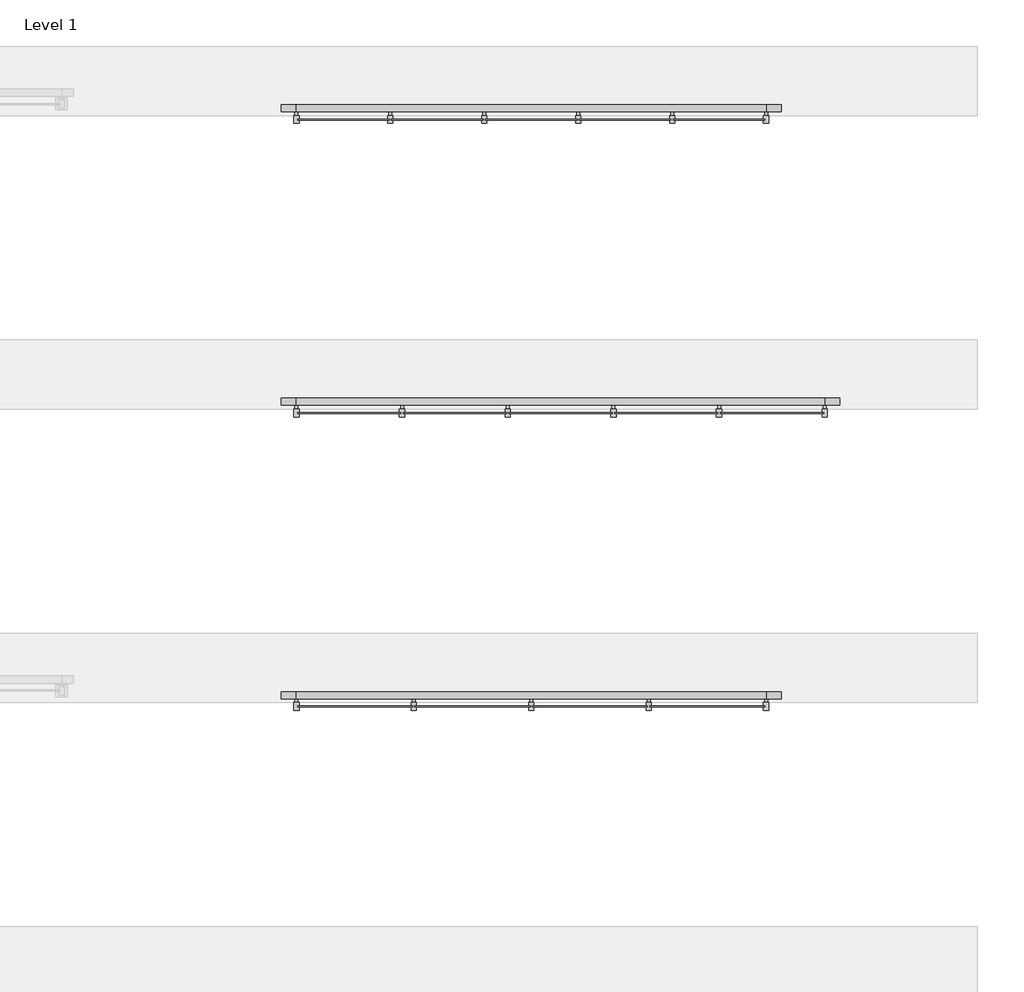
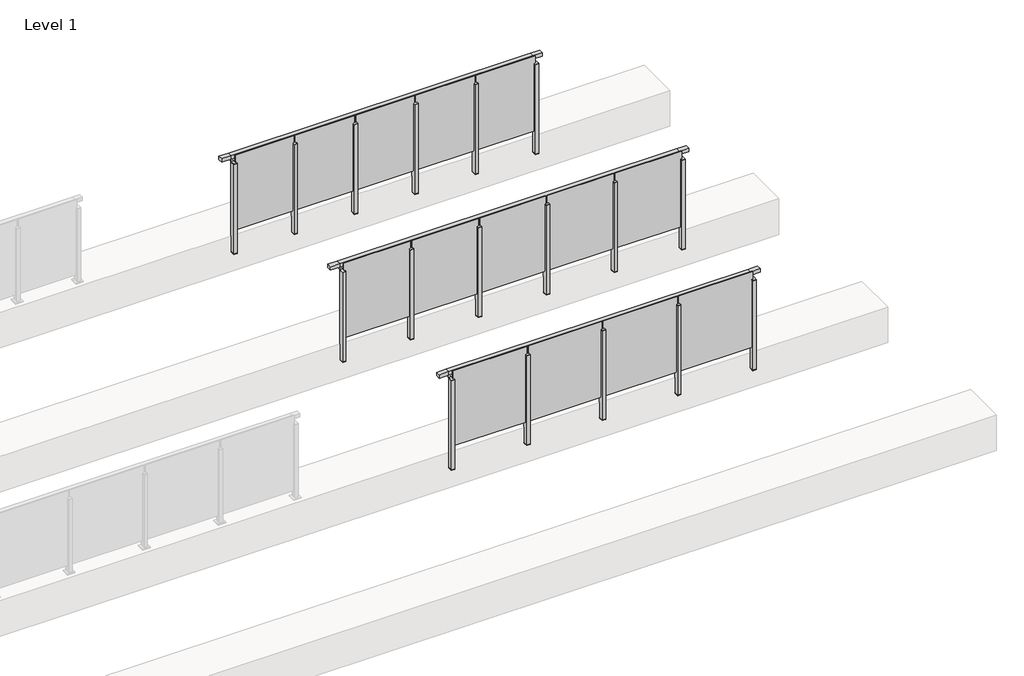
# One storey, part 19 of 38: 3 railings.
"""IFC4 building model written with IfcOpenShell, lengths in millimetres."""

from ifc_helpers import new_model, si_unit, point, frame, frame_2d, origin, place, context, project, spatial, polyline, circle_curve, trimmed, segment, composite_curve, outline, extrude, faceted_brep, element, save

model = new_model("IFC4")

# Units and contexts
model_context = context("Model", 3, world=origin())
ifc_project = project(units=[si_unit("LENGTHUNIT", "METRE", prefix="MILLI")], contexts=[model_context])

# Site, building, storey
site = spatial("IfcSite", under=ifc_project)
building = spatial("IfcBuilding", under=site)
storey = spatial("IfcBuildingStorey", under=building, Name="Level 1", Elevation=0.0)

# Railings
placement = place(None, origin())
element("IfcRailing", 1, at=placement, inside=storey, context=model_context, shape_type="SolidModel", body=[
    faceted_brep([(41476.1884576, 2493.1846828, 1052.5), (41476.1884576, 2493.1846828, 1100.0), (45476.1884576, 2493.1846828, 1100.0), (45476.1884576, 2493.1846828, 1052.5), (41476.1884576, 2433.1846828, 1052.5), (45476.1884576, 2433.1846828, 1052.5), (41476.1884576, 2433.1846828, 1100.0), (45476.1884576, 2433.1846828, 1100.0), (41348.6884576, 2493.1846828, 1100.0), (41348.6884576, 2493.1846828, 1052.5), (41348.6884576, 2433.1846828, 1052.5), (41348.6884576, 2433.1846828, 1100.0), (45603.6884576, 2493.1846828, 1100.0), (45603.6884576, 2433.1846828, 1100.0), (45603.6884576, 2433.1846828, 1052.5), (45603.6884576, 2493.1846828, 1052.5)], [[[0, 1, 2, 3]], [[4, 0, 3, 5]], [[6, 4, 5, 7]], [[1, 6, 7, 2]], [[8, 9, 10, 11]], [[9, 8, 1, 0]], [[10, 9, 0, 4]], [[11, 10, 4, 6]], [[8, 11, 6, 1]], [[12, 13, 14, 15]], [[3, 2, 12, 15]], [[5, 3, 15, 14]], [[7, 5, 14, 13]], [[2, 7, 13, 12]]]),
    extrude(outline(polyline([(44486.1884576, 2361.9094929), (44486.1884576, 2371.9094929), (45466.1884576, 2371.9094929), (45466.1884576, 2361.9094929), (44486.1884576, 2361.9094929)])), frame((0.0, 0.0, 95.0), z_axis=(0.0, 0.0, 1.0), x_axis=(1.0, 0.0, 0.0)), (0.0, 0.0, 1.0), 1055.0),
    extrude(outline(composite_curve([segment(polyline([(2488.1846828, 1085.0), (2488.1846828, 1060.900037)]), True, "CONTINUOUS"), segment(trimmed(circle_curve(frame_2d((2478.1846828, 1060.900037)), 10.0), [point((2488.1846828, 1060.900037))], [point((2480.7728733, 1051.2407787))], False, "CARTESIAN"), True, "CONTINUOUS"), segment(polyline([(2480.7728733, 1051.2407787), (2423.7244733, 1035.9547061)]), True, "CONTINUOUS"), segment(trimmed(circle_curve(frame_2d((2426.3126638, 1026.2954478)), 10.0), [point((2423.7244733, 1035.9547061))], [point((2416.3982152, 1027.6007097))], True, "CARTESIAN"), True, "CONTINUOUS"), segment(polyline([(2416.3982152, 1027.6007097), (2411.791393, 992.6084214)]), True, "CONTINUOUS"), segment(trimmed(circle_curve(frame_2d((2408.8170584, 993.0)), 3.0), [point((2411.791393, 992.6084214))], [point((2408.8170584, 990.0))], False, "CARTESIAN"), True, "CONTINUOUS"), segment(polyline([(2408.8170584, 990.0), (2400.1846828, 990.0), (2400.1846828, 1040.0), (2464.1846828, 1057.1487483), (2464.1846828, 1085.0), (2488.1846828, 1085.0)]), True, "CONTINUOUS")], self_intersect=False)), frame((44463.6884576, 0.0, 0.0), z_axis=(1.0, 0.0, 0.0), x_axis=(0.0, 1.0, 0.0)), (0.0, 0.0, 1.0), 25.0),
    extrude(outline(polyline([(44498.6884576, 2400.1846828), (44498.6884576, 2335.1846828), (44453.6884576, 2335.1846828), (44453.6884576, 2400.1846828), (44498.6884576, 2400.1846828)])), frame((0.0, 0.0, 1040.0), z_axis=(0.0, 0.0, 1.0), x_axis=(1.0, 0.0, 0.0)), (0.0, 0.0, 1.0), 5.0),
    extrude(outline(polyline([(44498.6884576, 2400.1846828), (44498.6884576, 2335.1846828), (44453.6884576, 2335.1846828), (44453.6884576, 2400.1846828), (44498.6884576, 2400.1846828)])), frame((0.0, 0.0, -212.0), z_axis=(0.0, 0.0, 1.0), x_axis=(1.0, 0.0, 0.0)), (0.0, 0.0, 1.0), 1252.0),
    extrude(outline(polyline([(44498.6884576, 2400.1846828), (44498.6884576, 2335.1846828), (44453.6884576, 2335.1846828), (44453.6884576, 2400.1846828), (44498.6884576, 2400.1846828)])), frame((0.0, 0.0, -220.0), z_axis=(0.0, 0.0, 1.0), x_axis=(1.0, 0.0, 0.0)), (0.0, 0.0, 1.0), 8.0),
    extrude(outline(polyline([(43486.1884576, 2361.9094929), (43486.1884576, 2371.9094929), (44466.1884576, 2371.9094929), (44466.1884576, 2361.9094929), (43486.1884576, 2361.9094929)])), frame((0.0, 0.0, 95.0), z_axis=(0.0, 0.0, 1.0), x_axis=(1.0, 0.0, 0.0)), (0.0, 0.0, 1.0), 1055.0),
    extrude(outline(composite_curve([segment(polyline([(2488.1846828, 1085.0), (2488.1846828, 1060.900037)]), True, "CONTINUOUS"), segment(trimmed(circle_curve(frame_2d((2478.1846828, 1060.900037)), 10.0), [point((2488.1846828, 1060.900037))], [point((2480.7728733, 1051.2407787))], False, "CARTESIAN"), True, "CONTINUOUS"), segment(polyline([(2480.7728733, 1051.2407787), (2423.7244733, 1035.9547061)]), True, "CONTINUOUS"), segment(trimmed(circle_curve(frame_2d((2426.3126638, 1026.2954478)), 10.0), [point((2423.7244733, 1035.9547061))], [point((2416.3982152, 1027.6007097))], True, "CARTESIAN"), True, "CONTINUOUS"), segment(polyline([(2416.3982152, 1027.6007097), (2411.791393, 992.6084214)]), True, "CONTINUOUS"), segment(trimmed(circle_curve(frame_2d((2408.8170584, 993.0)), 3.0), [point((2411.791393, 992.6084214))], [point((2408.8170584, 990.0))], False, "CARTESIAN"), True, "CONTINUOUS"), segment(polyline([(2408.8170584, 990.0), (2400.1846828, 990.0), (2400.1846828, 1040.0), (2464.1846828, 1057.1487483), (2464.1846828, 1085.0), (2488.1846828, 1085.0)]), True, "CONTINUOUS")], self_intersect=False)), frame((43463.6884576, 0.0, 0.0), z_axis=(1.0, 0.0, 0.0), x_axis=(0.0, 1.0, 0.0)), (0.0, 0.0, 1.0), 25.0),
    extrude(outline(polyline([(43498.6884576, 2400.1846828), (43498.6884576, 2335.1846828), (43453.6884576, 2335.1846828), (43453.6884576, 2400.1846828), (43498.6884576, 2400.1846828)])), frame((0.0, 0.0, 1040.0), z_axis=(0.0, 0.0, 1.0), x_axis=(1.0, 0.0, 0.0)), (0.0, 0.0, 1.0), 5.0),
    extrude(outline(polyline([(43498.6884576, 2400.1846828), (43498.6884576, 2335.1846828), (43453.6884576, 2335.1846828), (43453.6884576, 2400.1846828), (43498.6884576, 2400.1846828)])), frame((0.0, 0.0, -212.0), z_axis=(0.0, 0.0, 1.0), x_axis=(1.0, 0.0, 0.0)), (0.0, 0.0, 1.0), 1252.0),
    extrude(outline(polyline([(43498.6884576, 2400.1846828), (43498.6884576, 2335.1846828), (43453.6884576, 2335.1846828), (43453.6884576, 2400.1846828), (43498.6884576, 2400.1846828)])), frame((0.0, 0.0, -220.0), z_axis=(0.0, 0.0, 1.0), x_axis=(1.0, 0.0, 0.0)), (0.0, 0.0, 1.0), 8.0),
    extrude(outline(polyline([(42486.1884576, 2361.9094929), (42486.1884576, 2371.9094929), (43466.1884576, 2371.9094929), (43466.1884576, 2361.9094929), (42486.1884576, 2361.9094929)])), frame((0.0, 0.0, 95.0), z_axis=(0.0, 0.0, 1.0), x_axis=(1.0, 0.0, 0.0)), (0.0, 0.0, 1.0), 1055.0),
    extrude(outline(composite_curve([segment(polyline([(2488.1846828, 1085.0), (2488.1846828, 1060.900037)]), True, "CONTINUOUS"), segment(trimmed(circle_curve(frame_2d((2478.1846828, 1060.900037)), 10.0), [point((2488.1846828, 1060.900037))], [point((2480.7728733, 1051.2407787))], False, "CARTESIAN"), True, "CONTINUOUS"), segment(polyline([(2480.7728733, 1051.2407787), (2423.7244733, 1035.9547061)]), True, "CONTINUOUS"), segment(trimmed(circle_curve(frame_2d((2426.3126638, 1026.2954478)), 10.0), [point((2423.7244733, 1035.9547061))], [point((2416.3982152, 1027.6007097))], True, "CARTESIAN"), True, "CONTINUOUS"), segment(polyline([(2416.3982152, 1027.6007097), (2411.791393, 992.6084214)]), True, "CONTINUOUS"), segment(trimmed(circle_curve(frame_2d((2408.8170584, 993.0)), 3.0), [point((2411.791393, 992.6084214))], [point((2408.8170584, 990.0))], False, "CARTESIAN"), True, "CONTINUOUS"), segment(polyline([(2408.8170584, 990.0), (2400.1846828, 990.0), (2400.1846828, 1040.0), (2464.1846828, 1057.1487483), (2464.1846828, 1085.0), (2488.1846828, 1085.0)]), True, "CONTINUOUS")], self_intersect=False)), frame((42463.6884576, 0.0, 0.0), z_axis=(1.0, 0.0, 0.0), x_axis=(0.0, 1.0, 0.0)), (0.0, 0.0, 1.0), 25.0),
    extrude(outline(polyline([(42498.6884576, 2400.1846828), (42498.6884576, 2335.1846828), (42453.6884576, 2335.1846828), (42453.6884576, 2400.1846828), (42498.6884576, 2400.1846828)])), frame((0.0, 0.0, 1040.0), z_axis=(0.0, 0.0, 1.0), x_axis=(1.0, 0.0, 0.0)), (0.0, 0.0, 1.0), 5.0),
    extrude(outline(polyline([(42498.6884576, 2400.1846828), (42498.6884576, 2335.1846828), (42453.6884576, 2335.1846828), (42453.6884576, 2400.1846828), (42498.6884576, 2400.1846828)])), frame((0.0, 0.0, -212.0), z_axis=(0.0, 0.0, 1.0), x_axis=(1.0, 0.0, 0.0)), (0.0, 0.0, 1.0), 1252.0),
    extrude(outline(polyline([(42498.6884576, 2400.1846828), (42498.6884576, 2335.1846828), (42453.6884576, 2335.1846828), (42453.6884576, 2400.1846828), (42498.6884576, 2400.1846828)])), frame((0.0, 0.0, -220.0), z_axis=(0.0, 0.0, 1.0), x_axis=(1.0, 0.0, 0.0)), (0.0, 0.0, 1.0), 8.0),
    extrude(outline(polyline([(41486.1884576, 2361.9094929), (41486.1884576, 2371.9094929), (42466.1884576, 2371.9094929), (42466.1884576, 2361.9094929), (41486.1884576, 2361.9094929)])), frame((0.0, 0.0, 95.0), z_axis=(0.0, 0.0, 1.0), x_axis=(1.0, 0.0, 0.0)), (0.0, 0.0, 1.0), 1055.0),
    extrude(outline(composite_curve([segment(polyline([(2488.1846828, 1085.0), (2488.1846828, 1060.900037)]), True, "CONTINUOUS"), segment(trimmed(circle_curve(frame_2d((2478.1846828, 1060.900037)), 10.0), [point((2488.1846828, 1060.900037))], [point((2480.7728733, 1051.2407787))], False, "CARTESIAN"), True, "CONTINUOUS"), segment(polyline([(2480.7728733, 1051.2407787), (2423.7244733, 1035.9547061)]), True, "CONTINUOUS"), segment(trimmed(circle_curve(frame_2d((2426.3126638, 1026.2954478)), 10.0), [point((2423.7244733, 1035.9547061))], [point((2416.3982152, 1027.6007097))], True, "CARTESIAN"), True, "CONTINUOUS"), segment(polyline([(2416.3982152, 1027.6007097), (2411.791393, 992.6084214)]), True, "CONTINUOUS"), segment(trimmed(circle_curve(frame_2d((2408.8170584, 993.0)), 3.0), [point((2411.791393, 992.6084214))], [point((2408.8170584, 990.0))], False, "CARTESIAN"), True, "CONTINUOUS"), segment(polyline([(2408.8170584, 990.0), (2400.1846828, 990.0), (2400.1846828, 1040.0), (2464.1846828, 1057.1487483), (2464.1846828, 1085.0), (2488.1846828, 1085.0)]), True, "CONTINUOUS")], self_intersect=False)), frame((45463.6884576, 0.0, 0.0), z_axis=(1.0, 0.0, 0.0), x_axis=(0.0, 1.0, 0.0)), (0.0, 0.0, 1.0), 25.0),
    extrude(outline(polyline([(45498.6884576, 2400.1846828), (45498.6884576, 2335.1846828), (45453.6884576, 2335.1846828), (45453.6884576, 2400.1846828), (45498.6884576, 2400.1846828)])), frame((0.0, 0.0, 1040.0), z_axis=(0.0, 0.0, 1.0), x_axis=(1.0, 0.0, 0.0)), (0.0, 0.0, 1.0), 5.0),
    extrude(outline(polyline([(45498.6884576, 2400.1846828), (45498.6884576, 2335.1846828), (45453.6884576, 2335.1846828), (45453.6884576, 2400.1846828), (45498.6884576, 2400.1846828)])), frame((0.0, 0.0, -212.0), z_axis=(0.0, 0.0, 1.0), x_axis=(1.0, 0.0, 0.0)), (0.0, 0.0, 1.0), 1252.0),
    extrude(outline(polyline([(45498.6884576, 2400.1846828), (45498.6884576, 2335.1846828), (45453.6884576, 2335.1846828), (45453.6884576, 2400.1846828), (45498.6884576, 2400.1846828)])), frame((0.0, 0.0, -220.0), z_axis=(0.0, 0.0, 1.0), x_axis=(1.0, 0.0, 0.0)), (0.0, 0.0, 1.0), 8.0),
    extrude(outline(composite_curve([segment(polyline([(2488.1846828, 1085.0), (2488.1846828, 1060.900037)]), True, "CONTINUOUS"), segment(trimmed(circle_curve(frame_2d((2478.1846828, 1060.900037)), 10.0), [point((2488.1846828, 1060.900037))], [point((2480.7728733, 1051.2407787))], False, "CARTESIAN"), True, "CONTINUOUS"), segment(polyline([(2480.7728733, 1051.2407787), (2423.7244733, 1035.9547061)]), True, "CONTINUOUS"), segment(trimmed(circle_curve(frame_2d((2426.3126638, 1026.2954478)), 10.0), [point((2423.7244733, 1035.9547061))], [point((2416.3982152, 1027.6007097))], True, "CARTESIAN"), True, "CONTINUOUS"), segment(polyline([(2416.3982152, 1027.6007097), (2411.791393, 992.6084214)]), True, "CONTINUOUS"), segment(trimmed(circle_curve(frame_2d((2408.8170584, 993.0)), 3.0), [point((2411.791393, 992.6084214))], [point((2408.8170584, 990.0))], False, "CARTESIAN"), True, "CONTINUOUS"), segment(polyline([(2408.8170584, 990.0), (2400.1846828, 990.0), (2400.1846828, 1040.0), (2464.1846828, 1057.1487483), (2464.1846828, 1085.0), (2488.1846828, 1085.0)]), True, "CONTINUOUS")], self_intersect=False)), frame((41463.6884576, 0.0, 0.0), z_axis=(1.0, 0.0, 0.0), x_axis=(0.0, 1.0, 0.0)), (0.0, 0.0, 1.0), 25.0),
    extrude(outline(polyline([(41498.6884576, 2400.1846828), (41498.6884576, 2335.1846828), (41453.6884576, 2335.1846828), (41453.6884576, 2400.1846828), (41498.6884576, 2400.1846828)])), frame((0.0, 0.0, 1040.0), z_axis=(0.0, 0.0, 1.0), x_axis=(1.0, 0.0, 0.0)), (0.0, 0.0, 1.0), 5.0),
    extrude(outline(polyline([(41498.6884576, 2400.1846828), (41498.6884576, 2335.1846828), (41453.6884576, 2335.1846828), (41453.6884576, 2400.1846828), (41498.6884576, 2400.1846828)])), frame((0.0, 0.0, -212.0), z_axis=(0.0, 0.0, 1.0), x_axis=(1.0, 0.0, 0.0)), (0.0, 0.0, 1.0), 1252.0),
    extrude(outline(polyline([(41498.6884576, 2400.1846828), (41498.6884576, 2335.1846828), (41453.6884576, 2335.1846828), (41453.6884576, 2400.1846828), (41498.6884576, 2400.1846828)])), frame((0.0, 0.0, -220.0), z_axis=(0.0, 0.0, 1.0), x_axis=(1.0, 0.0, 0.0)), (0.0, 0.0, 1.0), 8.0),
])
element("IfcRailing", 2, at=placement, inside=storey, context=model_context, shape_type="SolidModel", body=[
    faceted_brep([(41476.1884576, 4993.1846828, 1052.5), (41476.1884576, 4993.1846828, 1100.0), (45976.1884576, 4993.1846828, 1100.0), (45976.1884576, 4993.1846828, 1052.5), (41476.1884576, 4933.1846828, 1052.5), (45976.1884576, 4933.1846828, 1052.5), (41476.1884576, 4933.1846828, 1100.0), (45976.1884576, 4933.1846828, 1100.0), (41348.6884576, 4993.1846828, 1100.0), (41348.6884576, 4993.1846828, 1052.5), (41348.6884576, 4933.1846828, 1052.5), (41348.6884576, 4933.1846828, 1100.0), (46103.6884576, 4993.1846828, 1100.0), (46103.6884576, 4933.1846828, 1100.0), (46103.6884576, 4933.1846828, 1052.5), (46103.6884576, 4993.1846828, 1052.5)], [[[0, 1, 2, 3]], [[4, 0, 3, 5]], [[6, 4, 5, 7]], [[1, 6, 7, 2]], [[8, 9, 10, 11]], [[9, 8, 1, 0]], [[10, 9, 0, 4]], [[11, 10, 4, 6]], [[8, 11, 6, 1]], [[12, 13, 14, 15]], [[3, 2, 12, 15]], [[5, 3, 15, 14]], [[7, 5, 14, 13]], [[2, 7, 13, 12]]]),
    extrude(outline(polyline([(45086.1884576, 4861.9094929), (45086.1884576, 4871.9094929), (45966.1884576, 4871.9094929), (45966.1884576, 4861.9094929), (45086.1884576, 4861.9094929)])), frame((0.0, 0.0, 95.0), z_axis=(0.0, 0.0, 1.0), x_axis=(1.0, 0.0, 0.0)), (0.0, 0.0, 1.0), 1055.0),
    extrude(outline(composite_curve([segment(polyline([(4988.1846828, 1085.0), (4988.1846828, 1060.900037)]), True, "CONTINUOUS"), segment(trimmed(circle_curve(frame_2d((4978.1846828, 1060.900037)), 10.0), [point((4988.1846828, 1060.900037))], [point((4980.7728733, 1051.2407787))], False, "CARTESIAN"), True, "CONTINUOUS"), segment(polyline([(4980.7728733, 1051.2407787), (4923.7244733, 1035.9547061)]), True, "CONTINUOUS"), segment(trimmed(circle_curve(frame_2d((4926.3126638, 1026.2954478)), 10.0), [point((4923.7244733, 1035.9547061))], [point((4916.3982152, 1027.6007097))], True, "CARTESIAN"), True, "CONTINUOUS"), segment(polyline([(4916.3982152, 1027.6007097), (4911.791393, 992.6084214)]), True, "CONTINUOUS"), segment(trimmed(circle_curve(frame_2d((4908.8170584, 993.0)), 3.0), [point((4911.791393, 992.6084214))], [point((4908.8170584, 990.0))], False, "CARTESIAN"), True, "CONTINUOUS"), segment(polyline([(4908.8170584, 990.0), (4900.1846828, 990.0), (4900.1846828, 1040.0), (4964.1846828, 1057.1487483), (4964.1846828, 1085.0), (4988.1846828, 1085.0)]), True, "CONTINUOUS")], self_intersect=False)), frame((45063.6884576, 0.0, 0.0), z_axis=(1.0, 0.0, 0.0), x_axis=(0.0, 1.0, 0.0)), (0.0, 0.0, 1.0), 25.0),
    extrude(outline(polyline([(45098.6884576, 4900.1846828), (45098.6884576, 4835.1846828), (45053.6884576, 4835.1846828), (45053.6884576, 4900.1846828), (45098.6884576, 4900.1846828)])), frame((0.0, 0.0, 1040.0), z_axis=(0.0, 0.0, 1.0), x_axis=(1.0, 0.0, 0.0)), (0.0, 0.0, 1.0), 5.0),
    extrude(outline(polyline([(45098.6884576, 4900.1846828), (45098.6884576, 4835.1846828), (45053.6884576, 4835.1846828), (45053.6884576, 4900.1846828), (45098.6884576, 4900.1846828)])), frame((0.0, 0.0, -212.0), z_axis=(0.0, 0.0, 1.0), x_axis=(1.0, 0.0, 0.0)), (0.0, 0.0, 1.0), 1252.0),
    extrude(outline(polyline([(45098.6884576, 4900.1846828), (45098.6884576, 4835.1846828), (45053.6884576, 4835.1846828), (45053.6884576, 4900.1846828), (45098.6884576, 4900.1846828)])), frame((0.0, 0.0, -220.0), z_axis=(0.0, 0.0, 1.0), x_axis=(1.0, 0.0, 0.0)), (0.0, 0.0, 1.0), 8.0),
    extrude(outline(polyline([(44186.1884576, 4861.9094929), (44186.1884576, 4871.9094929), (45066.1884576, 4871.9094929), (45066.1884576, 4861.9094929), (44186.1884576, 4861.9094929)])), frame((0.0, 0.0, 95.0), z_axis=(0.0, 0.0, 1.0), x_axis=(1.0, 0.0, 0.0)), (0.0, 0.0, 1.0), 1055.0),
    extrude(outline(composite_curve([segment(polyline([(4988.1846828, 1085.0), (4988.1846828, 1060.900037)]), True, "CONTINUOUS"), segment(trimmed(circle_curve(frame_2d((4978.1846828, 1060.900037)), 10.0), [point((4988.1846828, 1060.900037))], [point((4980.7728733, 1051.2407787))], False, "CARTESIAN"), True, "CONTINUOUS"), segment(polyline([(4980.7728733, 1051.2407787), (4923.7244733, 1035.9547061)]), True, "CONTINUOUS"), segment(trimmed(circle_curve(frame_2d((4926.3126638, 1026.2954478)), 10.0), [point((4923.7244733, 1035.9547061))], [point((4916.3982152, 1027.6007097))], True, "CARTESIAN"), True, "CONTINUOUS"), segment(polyline([(4916.3982152, 1027.6007097), (4911.791393, 992.6084214)]), True, "CONTINUOUS"), segment(trimmed(circle_curve(frame_2d((4908.8170584, 993.0)), 3.0), [point((4911.791393, 992.6084214))], [point((4908.8170584, 990.0))], False, "CARTESIAN"), True, "CONTINUOUS"), segment(polyline([(4908.8170584, 990.0), (4900.1846828, 990.0), (4900.1846828, 1040.0), (4964.1846828, 1057.1487483), (4964.1846828, 1085.0), (4988.1846828, 1085.0)]), True, "CONTINUOUS")], self_intersect=False)), frame((44163.6884576, 0.0, 0.0), z_axis=(1.0, 0.0, 0.0), x_axis=(0.0, 1.0, 0.0)), (0.0, 0.0, 1.0), 25.0),
    extrude(outline(polyline([(44198.6884576, 4900.1846828), (44198.6884576, 4835.1846828), (44153.6884576, 4835.1846828), (44153.6884576, 4900.1846828), (44198.6884576, 4900.1846828)])), frame((0.0, 0.0, 1040.0), z_axis=(0.0, 0.0, 1.0), x_axis=(1.0, 0.0, 0.0)), (0.0, 0.0, 1.0), 5.0),
    extrude(outline(polyline([(44198.6884576, 4900.1846828), (44198.6884576, 4835.1846828), (44153.6884576, 4835.1846828), (44153.6884576, 4900.1846828), (44198.6884576, 4900.1846828)])), frame((0.0, 0.0, -212.0), z_axis=(0.0, 0.0, 1.0), x_axis=(1.0, 0.0, 0.0)), (0.0, 0.0, 1.0), 1252.0),
    extrude(outline(polyline([(44198.6884576, 4900.1846828), (44198.6884576, 4835.1846828), (44153.6884576, 4835.1846828), (44153.6884576, 4900.1846828), (44198.6884576, 4900.1846828)])), frame((0.0, 0.0, -220.0), z_axis=(0.0, 0.0, 1.0), x_axis=(1.0, 0.0, 0.0)), (0.0, 0.0, 1.0), 8.0),
    extrude(outline(polyline([(43286.1884576, 4861.9094929), (43286.1884576, 4871.9094929), (44166.1884576, 4871.9094929), (44166.1884576, 4861.9094929), (43286.1884576, 4861.9094929)])), frame((0.0, 0.0, 95.0), z_axis=(0.0, 0.0, 1.0), x_axis=(1.0, 0.0, 0.0)), (0.0, 0.0, 1.0), 1055.0),
    extrude(outline(composite_curve([segment(polyline([(4988.1846828, 1085.0), (4988.1846828, 1060.900037)]), True, "CONTINUOUS"), segment(trimmed(circle_curve(frame_2d((4978.1846828, 1060.900037)), 10.0), [point((4988.1846828, 1060.900037))], [point((4980.7728733, 1051.2407787))], False, "CARTESIAN"), True, "CONTINUOUS"), segment(polyline([(4980.7728733, 1051.2407787), (4923.7244733, 1035.9547061)]), True, "CONTINUOUS"), segment(trimmed(circle_curve(frame_2d((4926.3126638, 1026.2954478)), 10.0), [point((4923.7244733, 1035.9547061))], [point((4916.3982152, 1027.6007097))], True, "CARTESIAN"), True, "CONTINUOUS"), segment(polyline([(4916.3982152, 1027.6007097), (4911.791393, 992.6084214)]), True, "CONTINUOUS"), segment(trimmed(circle_curve(frame_2d((4908.8170584, 993.0)), 3.0), [point((4911.791393, 992.6084214))], [point((4908.8170584, 990.0))], False, "CARTESIAN"), True, "CONTINUOUS"), segment(polyline([(4908.8170584, 990.0), (4900.1846828, 990.0), (4900.1846828, 1040.0), (4964.1846828, 1057.1487483), (4964.1846828, 1085.0), (4988.1846828, 1085.0)]), True, "CONTINUOUS")], self_intersect=False)), frame((43263.6884576, 0.0, 0.0), z_axis=(1.0, 0.0, 0.0), x_axis=(0.0, 1.0, 0.0)), (0.0, 0.0, 1.0), 25.0),
    extrude(outline(polyline([(43298.6884576, 4900.1846828), (43298.6884576, 4835.1846828), (43253.6884576, 4835.1846828), (43253.6884576, 4900.1846828), (43298.6884576, 4900.1846828)])), frame((0.0, 0.0, 1040.0), z_axis=(0.0, 0.0, 1.0), x_axis=(1.0, 0.0, 0.0)), (0.0, 0.0, 1.0), 5.0),
    extrude(outline(polyline([(43298.6884576, 4900.1846828), (43298.6884576, 4835.1846828), (43253.6884576, 4835.1846828), (43253.6884576, 4900.1846828), (43298.6884576, 4900.1846828)])), frame((0.0, 0.0, -212.0), z_axis=(0.0, 0.0, 1.0), x_axis=(1.0, 0.0, 0.0)), (0.0, 0.0, 1.0), 1252.0),
    extrude(outline(polyline([(43298.6884576, 4900.1846828), (43298.6884576, 4835.1846828), (43253.6884576, 4835.1846828), (43253.6884576, 4900.1846828), (43298.6884576, 4900.1846828)])), frame((0.0, 0.0, -220.0), z_axis=(0.0, 0.0, 1.0), x_axis=(1.0, 0.0, 0.0)), (0.0, 0.0, 1.0), 8.0),
    extrude(outline(polyline([(42386.1884576, 4861.9094929), (42386.1884576, 4871.9094929), (43266.1884576, 4871.9094929), (43266.1884576, 4861.9094929), (42386.1884576, 4861.9094929)])), frame((0.0, 0.0, 95.0), z_axis=(0.0, 0.0, 1.0), x_axis=(1.0, 0.0, 0.0)), (0.0, 0.0, 1.0), 1055.0),
    extrude(outline(composite_curve([segment(polyline([(4988.1846828, 1085.0), (4988.1846828, 1060.900037)]), True, "CONTINUOUS"), segment(trimmed(circle_curve(frame_2d((4978.1846828, 1060.900037)), 10.0), [point((4988.1846828, 1060.900037))], [point((4980.7728733, 1051.2407787))], False, "CARTESIAN"), True, "CONTINUOUS"), segment(polyline([(4980.7728733, 1051.2407787), (4923.7244733, 1035.9547061)]), True, "CONTINUOUS"), segment(trimmed(circle_curve(frame_2d((4926.3126638, 1026.2954478)), 10.0), [point((4923.7244733, 1035.9547061))], [point((4916.3982152, 1027.6007097))], True, "CARTESIAN"), True, "CONTINUOUS"), segment(polyline([(4916.3982152, 1027.6007097), (4911.791393, 992.6084214)]), True, "CONTINUOUS"), segment(trimmed(circle_curve(frame_2d((4908.8170584, 993.0)), 3.0), [point((4911.791393, 992.6084214))], [point((4908.8170584, 990.0))], False, "CARTESIAN"), True, "CONTINUOUS"), segment(polyline([(4908.8170584, 990.0), (4900.1846828, 990.0), (4900.1846828, 1040.0), (4964.1846828, 1057.1487483), (4964.1846828, 1085.0), (4988.1846828, 1085.0)]), True, "CONTINUOUS")], self_intersect=False)), frame((42363.6884576, 0.0, 0.0), z_axis=(1.0, 0.0, 0.0), x_axis=(0.0, 1.0, 0.0)), (0.0, 0.0, 1.0), 25.0),
    extrude(outline(polyline([(42398.6884576, 4900.1846828), (42398.6884576, 4835.1846828), (42353.6884576, 4835.1846828), (42353.6884576, 4900.1846828), (42398.6884576, 4900.1846828)])), frame((0.0, 0.0, 1040.0), z_axis=(0.0, 0.0, 1.0), x_axis=(1.0, 0.0, 0.0)), (0.0, 0.0, 1.0), 5.0),
    extrude(outline(polyline([(42398.6884576, 4900.1846828), (42398.6884576, 4835.1846828), (42353.6884576, 4835.1846828), (42353.6884576, 4900.1846828), (42398.6884576, 4900.1846828)])), frame((0.0, 0.0, -212.0), z_axis=(0.0, 0.0, 1.0), x_axis=(1.0, 0.0, 0.0)), (0.0, 0.0, 1.0), 1252.0),
    extrude(outline(polyline([(42398.6884576, 4900.1846828), (42398.6884576, 4835.1846828), (42353.6884576, 4835.1846828), (42353.6884576, 4900.1846828), (42398.6884576, 4900.1846828)])), frame((0.0, 0.0, -220.0), z_axis=(0.0, 0.0, 1.0), x_axis=(1.0, 0.0, 0.0)), (0.0, 0.0, 1.0), 8.0),
    extrude(outline(polyline([(41486.1884576, 4861.9094929), (41486.1884576, 4871.9094929), (42366.1884576, 4871.9094929), (42366.1884576, 4861.9094929), (41486.1884576, 4861.9094929)])), frame((0.0, 0.0, 95.0), z_axis=(0.0, 0.0, 1.0), x_axis=(1.0, 0.0, 0.0)), (0.0, 0.0, 1.0), 1055.0),
    extrude(outline(composite_curve([segment(polyline([(4988.1846828, 1085.0), (4988.1846828, 1060.900037)]), True, "CONTINUOUS"), segment(trimmed(circle_curve(frame_2d((4978.1846828, 1060.900037)), 10.0), [point((4988.1846828, 1060.900037))], [point((4980.7728733, 1051.2407787))], False, "CARTESIAN"), True, "CONTINUOUS"), segment(polyline([(4980.7728733, 1051.2407787), (4923.7244733, 1035.9547061)]), True, "CONTINUOUS"), segment(trimmed(circle_curve(frame_2d((4926.3126638, 1026.2954478)), 10.0), [point((4923.7244733, 1035.9547061))], [point((4916.3982152, 1027.6007097))], True, "CARTESIAN"), True, "CONTINUOUS"), segment(polyline([(4916.3982152, 1027.6007097), (4911.791393, 992.6084214)]), True, "CONTINUOUS"), segment(trimmed(circle_curve(frame_2d((4908.8170584, 993.0)), 3.0), [point((4911.791393, 992.6084214))], [point((4908.8170584, 990.0))], False, "CARTESIAN"), True, "CONTINUOUS"), segment(polyline([(4908.8170584, 990.0), (4900.1846828, 990.0), (4900.1846828, 1040.0), (4964.1846828, 1057.1487483), (4964.1846828, 1085.0), (4988.1846828, 1085.0)]), True, "CONTINUOUS")], self_intersect=False)), frame((45963.6884576, 0.0, 0.0), z_axis=(1.0, 0.0, 0.0), x_axis=(0.0, 1.0, 0.0)), (0.0, 0.0, 1.0), 25.0),
    extrude(outline(polyline([(45998.6884576, 4900.1846828), (45998.6884576, 4835.1846828), (45953.6884576, 4835.1846828), (45953.6884576, 4900.1846828), (45998.6884576, 4900.1846828)])), frame((0.0, 0.0, 1040.0), z_axis=(0.0, 0.0, 1.0), x_axis=(1.0, 0.0, 0.0)), (0.0, 0.0, 1.0), 5.0),
    extrude(outline(polyline([(45998.6884576, 4900.1846828), (45998.6884576, 4835.1846828), (45953.6884576, 4835.1846828), (45953.6884576, 4900.1846828), (45998.6884576, 4900.1846828)])), frame((0.0, 0.0, -212.0), z_axis=(0.0, 0.0, 1.0), x_axis=(1.0, 0.0, 0.0)), (0.0, 0.0, 1.0), 1252.0),
    extrude(outline(polyline([(45998.6884576, 4900.1846828), (45998.6884576, 4835.1846828), (45953.6884576, 4835.1846828), (45953.6884576, 4900.1846828), (45998.6884576, 4900.1846828)])), frame((0.0, 0.0, -220.0), z_axis=(0.0, 0.0, 1.0), x_axis=(1.0, 0.0, 0.0)), (0.0, 0.0, 1.0), 8.0),
    extrude(outline(composite_curve([segment(polyline([(4988.1846828, 1085.0), (4988.1846828, 1060.900037)]), True, "CONTINUOUS"), segment(trimmed(circle_curve(frame_2d((4978.1846828, 1060.900037)), 10.0), [point((4988.1846828, 1060.900037))], [point((4980.7728733, 1051.2407787))], False, "CARTESIAN"), True, "CONTINUOUS"), segment(polyline([(4980.7728733, 1051.2407787), (4923.7244733, 1035.9547061)]), True, "CONTINUOUS"), segment(trimmed(circle_curve(frame_2d((4926.3126638, 1026.2954478)), 10.0), [point((4923.7244733, 1035.9547061))], [point((4916.3982152, 1027.6007097))], True, "CARTESIAN"), True, "CONTINUOUS"), segment(polyline([(4916.3982152, 1027.6007097), (4911.791393, 992.6084214)]), True, "CONTINUOUS"), segment(trimmed(circle_curve(frame_2d((4908.8170584, 993.0)), 3.0), [point((4911.791393, 992.6084214))], [point((4908.8170584, 990.0))], False, "CARTESIAN"), True, "CONTINUOUS"), segment(polyline([(4908.8170584, 990.0), (4900.1846828, 990.0), (4900.1846828, 1040.0), (4964.1846828, 1057.1487483), (4964.1846828, 1085.0), (4988.1846828, 1085.0)]), True, "CONTINUOUS")], self_intersect=False)), frame((41463.6884576, 0.0, 0.0), z_axis=(1.0, 0.0, 0.0), x_axis=(0.0, 1.0, 0.0)), (0.0, 0.0, 1.0), 25.0),
    extrude(outline(polyline([(41498.6884576, 4900.1846828), (41498.6884576, 4835.1846828), (41453.6884576, 4835.1846828), (41453.6884576, 4900.1846828), (41498.6884576, 4900.1846828)])), frame((0.0, 0.0, 1040.0), z_axis=(0.0, 0.0, 1.0), x_axis=(1.0, 0.0, 0.0)), (0.0, 0.0, 1.0), 5.0),
    extrude(outline(polyline([(41498.6884576, 4900.1846828), (41498.6884576, 4835.1846828), (41453.6884576, 4835.1846828), (41453.6884576, 4900.1846828), (41498.6884576, 4900.1846828)])), frame((0.0, 0.0, -212.0), z_axis=(0.0, 0.0, 1.0), x_axis=(1.0, 0.0, 0.0)), (0.0, 0.0, 1.0), 1252.0),
    extrude(outline(polyline([(41498.6884576, 4900.1846828), (41498.6884576, 4835.1846828), (41453.6884576, 4835.1846828), (41453.6884576, 4900.1846828), (41498.6884576, 4900.1846828)])), frame((0.0, 0.0, -220.0), z_axis=(0.0, 0.0, 1.0), x_axis=(1.0, 0.0, 0.0)), (0.0, 0.0, 1.0), 8.0),
])
element("IfcRailing", 3, at=placement, inside=storey, context=model_context, shape_type="SolidModel", body=[
    faceted_brep([(41476.1884576, 7493.1846828, 1052.5), (41476.1884576, 7493.1846828, 1100.0), (45476.1884576, 7493.1846828, 1100.0), (45476.1884576, 7493.1846828, 1052.5), (41476.1884576, 7433.1846828, 1052.5), (45476.1884576, 7433.1846828, 1052.5), (41476.1884576, 7433.1846828, 1100.0), (45476.1884576, 7433.1846828, 1100.0), (41348.6884576, 7493.1846828, 1100.0), (41348.6884576, 7493.1846828, 1052.5), (41348.6884576, 7433.1846828, 1052.5), (41348.6884576, 7433.1846828, 1100.0), (45603.6884576, 7493.1846828, 1100.0), (45603.6884576, 7433.1846828, 1100.0), (45603.6884576, 7433.1846828, 1052.5), (45603.6884576, 7493.1846828, 1052.5)], [[[0, 1, 2, 3]], [[4, 0, 3, 5]], [[6, 4, 5, 7]], [[1, 6, 7, 2]], [[8, 9, 10, 11]], [[9, 8, 1, 0]], [[10, 9, 0, 4]], [[11, 10, 4, 6]], [[8, 11, 6, 1]], [[12, 13, 14, 15]], [[3, 2, 12, 15]], [[5, 3, 15, 14]], [[7, 5, 14, 13]], [[2, 7, 13, 12]]]),
    extrude(outline(polyline([(44686.1884576, 7361.9094929), (44686.1884576, 7371.9094929), (45466.1884576, 7371.9094929), (45466.1884576, 7361.9094929), (44686.1884576, 7361.9094929)])), frame((0.0, 0.0, 95.0), z_axis=(0.0, 0.0, 1.0), x_axis=(1.0, 0.0, 0.0)), (0.0, 0.0, 1.0), 1055.0),
    extrude(outline(composite_curve([segment(polyline([(7488.1846828, 1085.0), (7488.1846828, 1060.900037)]), True, "CONTINUOUS"), segment(trimmed(circle_curve(frame_2d((7478.1846828, 1060.900037)), 10.0), [point((7488.1846828, 1060.900037))], [point((7480.7728733, 1051.2407787))], False, "CARTESIAN"), True, "CONTINUOUS"), segment(polyline([(7480.7728733, 1051.2407787), (7423.7244733, 1035.9547061)]), True, "CONTINUOUS"), segment(trimmed(circle_curve(frame_2d((7426.3126638, 1026.2954478)), 10.0), [point((7423.7244733, 1035.9547061))], [point((7416.3982152, 1027.6007097))], True, "CARTESIAN"), True, "CONTINUOUS"), segment(polyline([(7416.3982152, 1027.6007097), (7411.791393, 992.6084214)]), True, "CONTINUOUS"), segment(trimmed(circle_curve(frame_2d((7408.8170584, 993.0)), 3.0), [point((7411.791393, 992.6084214))], [point((7408.8170584, 990.0))], False, "CARTESIAN"), True, "CONTINUOUS"), segment(polyline([(7408.8170584, 990.0), (7400.1846828, 990.0), (7400.1846828, 1040.0), (7464.1846828, 1057.1487483), (7464.1846828, 1085.0), (7488.1846828, 1085.0)]), True, "CONTINUOUS")], self_intersect=False)), frame((44663.6884576, 0.0, 0.0), z_axis=(1.0, 0.0, 0.0), x_axis=(0.0, 1.0, 0.0)), (0.0, 0.0, 1.0), 25.0),
    extrude(outline(polyline([(44698.6884576, 7400.1846828), (44698.6884576, 7335.1846828), (44653.6884576, 7335.1846828), (44653.6884576, 7400.1846828), (44698.6884576, 7400.1846828)])), frame((0.0, 0.0, 1040.0), z_axis=(0.0, 0.0, 1.0), x_axis=(1.0, 0.0, 0.0)), (0.0, 0.0, 1.0), 5.0),
    extrude(outline(polyline([(44698.6884576, 7400.1846828), (44698.6884576, 7335.1846828), (44653.6884576, 7335.1846828), (44653.6884576, 7400.1846828), (44698.6884576, 7400.1846828)])), frame((0.0, 0.0, -212.0), z_axis=(0.0, 0.0, 1.0), x_axis=(1.0, 0.0, 0.0)), (0.0, 0.0, 1.0), 1252.0),
    extrude(outline(polyline([(44698.6884576, 7400.1846828), (44698.6884576, 7335.1846828), (44653.6884576, 7335.1846828), (44653.6884576, 7400.1846828), (44698.6884576, 7400.1846828)])), frame((0.0, 0.0, -220.0), z_axis=(0.0, 0.0, 1.0), x_axis=(1.0, 0.0, 0.0)), (0.0, 0.0, 1.0), 8.0),
    extrude(outline(polyline([(43886.1884576, 7361.9094929), (43886.1884576, 7371.9094929), (44666.1884576, 7371.9094929), (44666.1884576, 7361.9094929), (43886.1884576, 7361.9094929)])), frame((0.0, 0.0, 95.0), z_axis=(0.0, 0.0, 1.0), x_axis=(1.0, 0.0, 0.0)), (0.0, 0.0, 1.0), 1055.0),
    extrude(outline(composite_curve([segment(polyline([(7488.1846828, 1085.0), (7488.1846828, 1060.900037)]), True, "CONTINUOUS"), segment(trimmed(circle_curve(frame_2d((7478.1846828, 1060.900037)), 10.0), [point((7488.1846828, 1060.900037))], [point((7480.7728733, 1051.2407787))], False, "CARTESIAN"), True, "CONTINUOUS"), segment(polyline([(7480.7728733, 1051.2407787), (7423.7244733, 1035.9547061)]), True, "CONTINUOUS"), segment(trimmed(circle_curve(frame_2d((7426.3126638, 1026.2954478)), 10.0), [point((7423.7244733, 1035.9547061))], [point((7416.3982152, 1027.6007097))], True, "CARTESIAN"), True, "CONTINUOUS"), segment(polyline([(7416.3982152, 1027.6007097), (7411.791393, 992.6084214)]), True, "CONTINUOUS"), segment(trimmed(circle_curve(frame_2d((7408.8170584, 993.0)), 3.0), [point((7411.791393, 992.6084214))], [point((7408.8170584, 990.0))], False, "CARTESIAN"), True, "CONTINUOUS"), segment(polyline([(7408.8170584, 990.0), (7400.1846828, 990.0), (7400.1846828, 1040.0), (7464.1846828, 1057.1487483), (7464.1846828, 1085.0), (7488.1846828, 1085.0)]), True, "CONTINUOUS")], self_intersect=False)), frame((43863.6884576, 0.0, 0.0), z_axis=(1.0, 0.0, 0.0), x_axis=(0.0, 1.0, 0.0)), (0.0, 0.0, 1.0), 25.0),
    extrude(outline(polyline([(43898.6884576, 7400.1846828), (43898.6884576, 7335.1846828), (43853.6884576, 7335.1846828), (43853.6884576, 7400.1846828), (43898.6884576, 7400.1846828)])), frame((0.0, 0.0, 1040.0), z_axis=(0.0, 0.0, 1.0), x_axis=(1.0, 0.0, 0.0)), (0.0, 0.0, 1.0), 5.0),
    extrude(outline(polyline([(43898.6884576, 7400.1846828), (43898.6884576, 7335.1846828), (43853.6884576, 7335.1846828), (43853.6884576, 7400.1846828), (43898.6884576, 7400.1846828)])), frame((0.0, 0.0, -212.0), z_axis=(0.0, 0.0, 1.0), x_axis=(1.0, 0.0, 0.0)), (0.0, 0.0, 1.0), 1252.0),
    extrude(outline(polyline([(43898.6884576, 7400.1846828), (43898.6884576, 7335.1846828), (43853.6884576, 7335.1846828), (43853.6884576, 7400.1846828), (43898.6884576, 7400.1846828)])), frame((0.0, 0.0, -220.0), z_axis=(0.0, 0.0, 1.0), x_axis=(1.0, 0.0, 0.0)), (0.0, 0.0, 1.0), 8.0),
    extrude(outline(polyline([(43086.1884576, 7361.9094929), (43086.1884576, 7371.9094929), (43866.1884576, 7371.9094929), (43866.1884576, 7361.9094929), (43086.1884576, 7361.9094929)])), frame((0.0, 0.0, 95.0), z_axis=(0.0, 0.0, 1.0), x_axis=(1.0, 0.0, 0.0)), (0.0, 0.0, 1.0), 1055.0),
    extrude(outline(composite_curve([segment(polyline([(7488.1846828, 1085.0), (7488.1846828, 1060.900037)]), True, "CONTINUOUS"), segment(trimmed(circle_curve(frame_2d((7478.1846828, 1060.900037)), 10.0), [point((7488.1846828, 1060.900037))], [point((7480.7728733, 1051.2407787))], False, "CARTESIAN"), True, "CONTINUOUS"), segment(polyline([(7480.7728733, 1051.2407787), (7423.7244733, 1035.9547061)]), True, "CONTINUOUS"), segment(trimmed(circle_curve(frame_2d((7426.3126638, 1026.2954478)), 10.0), [point((7423.7244733, 1035.9547061))], [point((7416.3982152, 1027.6007097))], True, "CARTESIAN"), True, "CONTINUOUS"), segment(polyline([(7416.3982152, 1027.6007097), (7411.791393, 992.6084214)]), True, "CONTINUOUS"), segment(trimmed(circle_curve(frame_2d((7408.8170584, 993.0)), 3.0), [point((7411.791393, 992.6084214))], [point((7408.8170584, 990.0))], False, "CARTESIAN"), True, "CONTINUOUS"), segment(polyline([(7408.8170584, 990.0), (7400.1846828, 990.0), (7400.1846828, 1040.0), (7464.1846828, 1057.1487483), (7464.1846828, 1085.0), (7488.1846828, 1085.0)]), True, "CONTINUOUS")], self_intersect=False)), frame((43063.6884576, 0.0, 0.0), z_axis=(1.0, 0.0, 0.0), x_axis=(0.0, 1.0, 0.0)), (0.0, 0.0, 1.0), 25.0),
    extrude(outline(polyline([(43098.6884576, 7400.1846828), (43098.6884576, 7335.1846828), (43053.6884576, 7335.1846828), (43053.6884576, 7400.1846828), (43098.6884576, 7400.1846828)])), frame((0.0, 0.0, 1040.0), z_axis=(0.0, 0.0, 1.0), x_axis=(1.0, 0.0, 0.0)), (0.0, 0.0, 1.0), 5.0),
    extrude(outline(polyline([(43098.6884576, 7400.1846828), (43098.6884576, 7335.1846828), (43053.6884576, 7335.1846828), (43053.6884576, 7400.1846828), (43098.6884576, 7400.1846828)])), frame((0.0, 0.0, -212.0), z_axis=(0.0, 0.0, 1.0), x_axis=(1.0, 0.0, 0.0)), (0.0, 0.0, 1.0), 1252.0),
    extrude(outline(polyline([(43098.6884576, 7400.1846828), (43098.6884576, 7335.1846828), (43053.6884576, 7335.1846828), (43053.6884576, 7400.1846828), (43098.6884576, 7400.1846828)])), frame((0.0, 0.0, -220.0), z_axis=(0.0, 0.0, 1.0), x_axis=(1.0, 0.0, 0.0)), (0.0, 0.0, 1.0), 8.0),
    extrude(outline(polyline([(42286.1884576, 7361.9094929), (42286.1884576, 7371.9094929), (43066.1884576, 7371.9094929), (43066.1884576, 7361.9094929), (42286.1884576, 7361.9094929)])), frame((0.0, 0.0, 95.0), z_axis=(0.0, 0.0, 1.0), x_axis=(1.0, 0.0, 0.0)), (0.0, 0.0, 1.0), 1055.0),
    extrude(outline(composite_curve([segment(polyline([(7488.1846828, 1085.0), (7488.1846828, 1060.900037)]), True, "CONTINUOUS"), segment(trimmed(circle_curve(frame_2d((7478.1846828, 1060.900037)), 10.0), [point((7488.1846828, 1060.900037))], [point((7480.7728733, 1051.2407787))], False, "CARTESIAN"), True, "CONTINUOUS"), segment(polyline([(7480.7728733, 1051.2407787), (7423.7244733, 1035.9547061)]), True, "CONTINUOUS"), segment(trimmed(circle_curve(frame_2d((7426.3126638, 1026.2954478)), 10.0), [point((7423.7244733, 1035.9547061))], [point((7416.3982152, 1027.6007097))], True, "CARTESIAN"), True, "CONTINUOUS"), segment(polyline([(7416.3982152, 1027.6007097), (7411.791393, 992.6084214)]), True, "CONTINUOUS"), segment(trimmed(circle_curve(frame_2d((7408.8170584, 993.0)), 3.0), [point((7411.791393, 992.6084214))], [point((7408.8170584, 990.0))], False, "CARTESIAN"), True, "CONTINUOUS"), segment(polyline([(7408.8170584, 990.0), (7400.1846828, 990.0), (7400.1846828, 1040.0), (7464.1846828, 1057.1487483), (7464.1846828, 1085.0), (7488.1846828, 1085.0)]), True, "CONTINUOUS")], self_intersect=False)), frame((42263.6884576, 0.0, 0.0), z_axis=(1.0, 0.0, 0.0), x_axis=(0.0, 1.0, 0.0)), (0.0, 0.0, 1.0), 25.0),
    extrude(outline(polyline([(42298.6884576, 7400.1846828), (42298.6884576, 7335.1846828), (42253.6884576, 7335.1846828), (42253.6884576, 7400.1846828), (42298.6884576, 7400.1846828)])), frame((0.0, 0.0, 1040.0), z_axis=(0.0, 0.0, 1.0), x_axis=(1.0, 0.0, 0.0)), (0.0, 0.0, 1.0), 5.0),
    extrude(outline(polyline([(42298.6884576, 7400.1846828), (42298.6884576, 7335.1846828), (42253.6884576, 7335.1846828), (42253.6884576, 7400.1846828), (42298.6884576, 7400.1846828)])), frame((0.0, 0.0, -212.0), z_axis=(0.0, 0.0, 1.0), x_axis=(1.0, 0.0, 0.0)), (0.0, 0.0, 1.0), 1252.0),
    extrude(outline(polyline([(42298.6884576, 7400.1846828), (42298.6884576, 7335.1846828), (42253.6884576, 7335.1846828), (42253.6884576, 7400.1846828), (42298.6884576, 7400.1846828)])), frame((0.0, 0.0, -220.0), z_axis=(0.0, 0.0, 1.0), x_axis=(1.0, 0.0, 0.0)), (0.0, 0.0, 1.0), 8.0),
    extrude(outline(polyline([(41486.1884576, 7361.9094929), (41486.1884576, 7371.9094929), (42266.1884576, 7371.9094929), (42266.1884576, 7361.9094929), (41486.1884576, 7361.9094929)])), frame((0.0, 0.0, 95.0), z_axis=(0.0, 0.0, 1.0), x_axis=(1.0, 0.0, 0.0)), (0.0, 0.0, 1.0), 1055.0),
    extrude(outline(composite_curve([segment(polyline([(7488.1846828, 1085.0), (7488.1846828, 1060.900037)]), True, "CONTINUOUS"), segment(trimmed(circle_curve(frame_2d((7478.1846828, 1060.900037)), 10.0), [point((7488.1846828, 1060.900037))], [point((7480.7728733, 1051.2407787))], False, "CARTESIAN"), True, "CONTINUOUS"), segment(polyline([(7480.7728733, 1051.2407787), (7423.7244733, 1035.9547061)]), True, "CONTINUOUS"), segment(trimmed(circle_curve(frame_2d((7426.3126638, 1026.2954478)), 10.0), [point((7423.7244733, 1035.9547061))], [point((7416.3982152, 1027.6007097))], True, "CARTESIAN"), True, "CONTINUOUS"), segment(polyline([(7416.3982152, 1027.6007097), (7411.791393, 992.6084214)]), True, "CONTINUOUS"), segment(trimmed(circle_curve(frame_2d((7408.8170584, 993.0)), 3.0), [point((7411.791393, 992.6084214))], [point((7408.8170584, 990.0))], False, "CARTESIAN"), True, "CONTINUOUS"), segment(polyline([(7408.8170584, 990.0), (7400.1846828, 990.0), (7400.1846828, 1040.0), (7464.1846828, 1057.1487483), (7464.1846828, 1085.0), (7488.1846828, 1085.0)]), True, "CONTINUOUS")], self_intersect=False)), frame((45463.6884576, 0.0, 0.0), z_axis=(1.0, 0.0, 0.0), x_axis=(0.0, 1.0, 0.0)), (0.0, 0.0, 1.0), 25.0),
    extrude(outline(polyline([(45498.6884576, 7400.1846828), (45498.6884576, 7335.1846828), (45453.6884576, 7335.1846828), (45453.6884576, 7400.1846828), (45498.6884576, 7400.1846828)])), frame((0.0, 0.0, 1040.0), z_axis=(0.0, 0.0, 1.0), x_axis=(1.0, 0.0, 0.0)), (0.0, 0.0, 1.0), 5.0),
    extrude(outline(polyline([(45498.6884576, 7400.1846828), (45498.6884576, 7335.1846828), (45453.6884576, 7335.1846828), (45453.6884576, 7400.1846828), (45498.6884576, 7400.1846828)])), frame((0.0, 0.0, -212.0), z_axis=(0.0, 0.0, 1.0), x_axis=(1.0, 0.0, 0.0)), (0.0, 0.0, 1.0), 1252.0),
    extrude(outline(polyline([(45498.6884576, 7400.1846828), (45498.6884576, 7335.1846828), (45453.6884576, 7335.1846828), (45453.6884576, 7400.1846828), (45498.6884576, 7400.1846828)])), frame((0.0, 0.0, -220.0), z_axis=(0.0, 0.0, 1.0), x_axis=(1.0, 0.0, 0.0)), (0.0, 0.0, 1.0), 8.0),
    extrude(outline(composite_curve([segment(polyline([(7488.1846828, 1085.0), (7488.1846828, 1060.900037)]), True, "CONTINUOUS"), segment(trimmed(circle_curve(frame_2d((7478.1846828, 1060.900037)), 10.0), [point((7488.1846828, 1060.900037))], [point((7480.7728733, 1051.2407787))], False, "CARTESIAN"), True, "CONTINUOUS"), segment(polyline([(7480.7728733, 1051.2407787), (7423.7244733, 1035.9547061)]), True, "CONTINUOUS"), segment(trimmed(circle_curve(frame_2d((7426.3126638, 1026.2954478)), 10.0), [point((7423.7244733, 1035.9547061))], [point((7416.3982152, 1027.6007097))], True, "CARTESIAN"), True, "CONTINUOUS"), segment(polyline([(7416.3982152, 1027.6007097), (7411.791393, 992.6084214)]), True, "CONTINUOUS"), segment(trimmed(circle_curve(frame_2d((7408.8170584, 993.0)), 3.0), [point((7411.791393, 992.6084214))], [point((7408.8170584, 990.0))], False, "CARTESIAN"), True, "CONTINUOUS"), segment(polyline([(7408.8170584, 990.0), (7400.1846828, 990.0), (7400.1846828, 1040.0), (7464.1846828, 1057.1487483), (7464.1846828, 1085.0), (7488.1846828, 1085.0)]), True, "CONTINUOUS")], self_intersect=False)), frame((41463.6884576, 0.0, 0.0), z_axis=(1.0, 0.0, 0.0), x_axis=(0.0, 1.0, 0.0)), (0.0, 0.0, 1.0), 25.0),
    extrude(outline(polyline([(41498.6884576, 7400.1846828), (41498.6884576, 7335.1846828), (41453.6884576, 7335.1846828), (41453.6884576, 7400.1846828), (41498.6884576, 7400.1846828)])), frame((0.0, 0.0, 1040.0), z_axis=(0.0, 0.0, 1.0), x_axis=(1.0, 0.0, 0.0)), (0.0, 0.0, 1.0), 5.0),
    extrude(outline(polyline([(41498.6884576, 7400.1846828), (41498.6884576, 7335.1846828), (41453.6884576, 7335.1846828), (41453.6884576, 7400.1846828), (41498.6884576, 7400.1846828)])), frame((0.0, 0.0, -212.0), z_axis=(0.0, 0.0, 1.0), x_axis=(1.0, 0.0, 0.0)), (0.0, 0.0, 1.0), 1252.0),
    extrude(outline(polyline([(41498.6884576, 7400.1846828), (41498.6884576, 7335.1846828), (41453.6884576, 7335.1846828), (41453.6884576, 7400.1846828), (41498.6884576, 7400.1846828)])), frame((0.0, 0.0, -220.0), z_axis=(0.0, 0.0, 1.0), x_axis=(1.0, 0.0, 0.0)), (0.0, 0.0, 1.0), 8.0),
])

save(model, "model.ifc")
